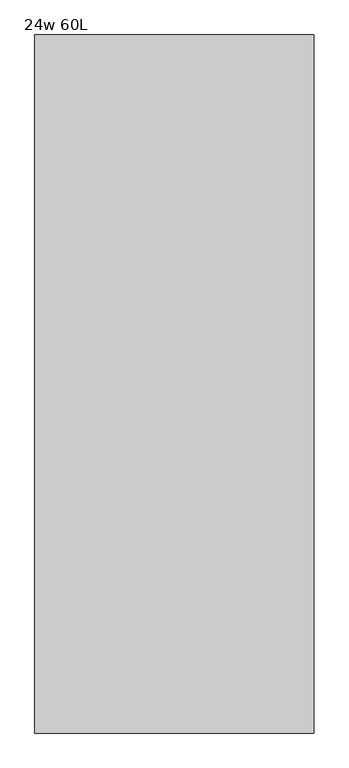
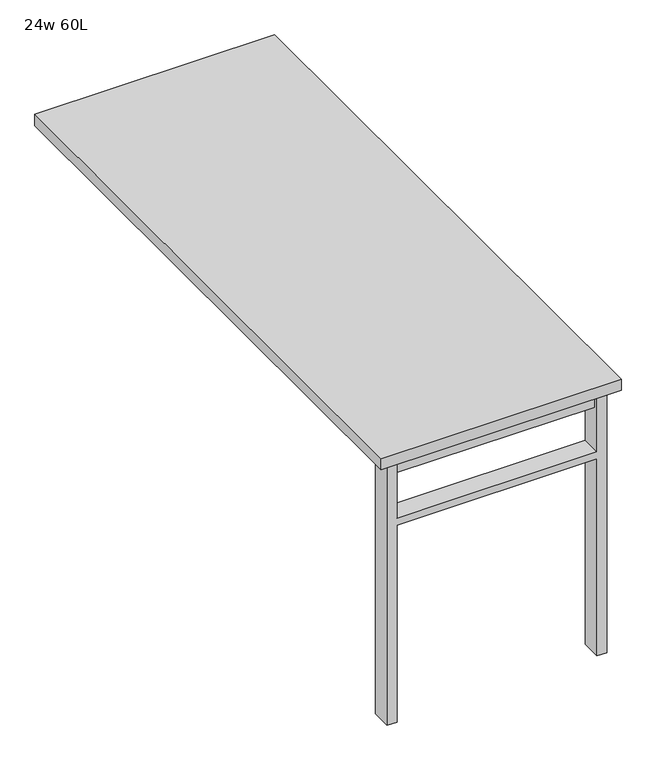
"""IFC4 building model written with IfcOpenShell, lengths in millimetres: furniture geometry, 24w 60L."""

from ifc_helpers import new_model, si_unit, frame, origin, place, context, project, spatial, polyline, outline, extrude, source, transform, mapped, element, save


def furniture_24w_60l_f2bb7358(model_context):
    return source(origin(), model_context, "Body", "SweptSolid", [
        extrude(outline(polyline([(-254.0, -701.675), (254.0, -701.675), (254.0, -733.425), (-254.0, -733.425), (-254.0, -701.675)])), frame((0.0, 0.0, 661.9875), z_axis=(0.0, 0.0, 1.0), x_axis=(1.0, 0.0, 0.0)), (0.0, 0.0, 1.0), 44.45),
        extrude(outline(polyline([(528.6375, 254.0), (0.0, 254.0), (0.0, 279.4), (706.4375, 279.4), (706.4375, 254.0), (547.6875, 254.0), (547.6875, -254.0), (706.4375, -254.0), (706.4375, -279.4), (0.0, -279.4), (0.0, -254.0), (528.6375, -254.0), (528.6375, 254.0)])), frame((0.0, -742.95, 0.0), z_axis=(0.0, 1.0, 0.0), x_axis=(0.0, 0.0, 1.0)), (0.0, 0.0, 1.0), 50.8),
        extrude(outline(polyline([(-304.8, -762.0), (-304.8, 762.0), (304.8, 762.0), (304.8, -762.0), (-304.8, -762.0)])), frame((0.0, 0.0, 706.4375), z_axis=(0.0, 0.0, 1.0), x_axis=(1.0, 0.0, 0.0)), (0.0, 0.0, 1.0), 30.1625),
    ])


if __name__ == "__main__":
    model = new_model("IFC4")
    model_context = context("Model", 3, world=origin())
    ifc_project = project(units=[si_unit("LENGTHUNIT", "METRE", prefix="MILLI")], contexts=[model_context])
    site = spatial("IfcSite", under=ifc_project)
    building = spatial("IfcBuilding", under=site)
    placement = place(None, origin())
    furniture_24w_60l_shape = furniture_24w_60l_f2bb7358(model_context)
    element("IfcFurniture", 1, ObjectType="24w 60L", at=placement, inside=building, context=model_context, shape_type="MappedRepresentation", body=[
        mapped(furniture_24w_60l_shape, transform((0.0, 0.0, 0.0), x_axis=(1.0, 0.0, 0.0), y_axis=(0.0, 1.0, 0.0), z_axis=(0.0, 0.0, 1.0))),
    ])
    save(model, "model.ifc")
